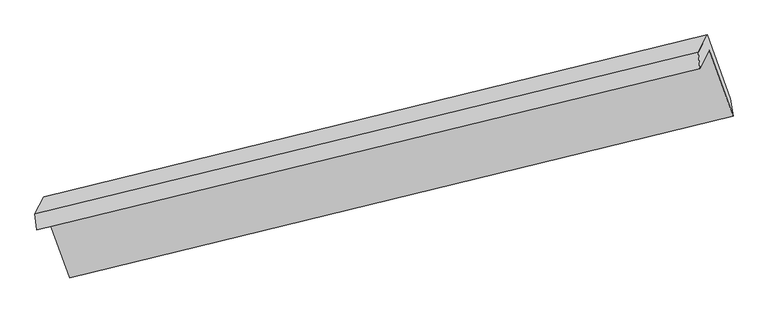
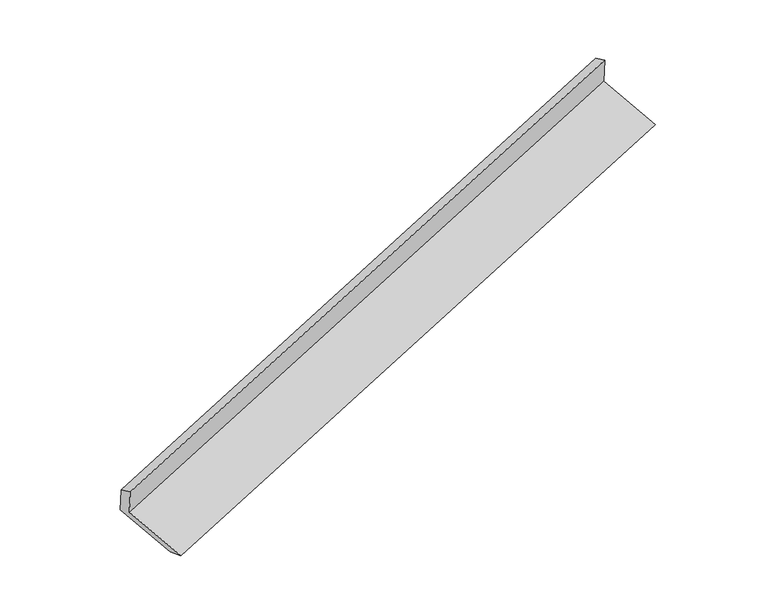
"""IFC4 building model written with IfcOpenShell, lengths in millimetres: proxy geometry."""

from ifc_helpers import new_model, si_unit, origin, place, context, project, spatial, faceted_brep, source, transform, mapped, element, save


def generic_models_422b9204(model_context):
    return source(origin(), model_context, "Body", "Brep", [
        faceted_brep([(-5967.6134884, -2218.9945427, 1282.7742052), (-5885.0653216, -2059.0206942, 921.7283572), (94.4916884, -596.8700606, 2880.8578671), (9.8973894, -760.8092017, 3250.8530054), (-5982.5065411, -2073.6677385, 1222.5375077), (-4.9956634, -615.4823974, 3190.6163079), (-5902.8666822, -1919.3300322, 874.2118998), (76.6903277, -457.1793986, 2833.3414097), (-5694.143272, -2495.0576202, 666.837619), (285.4137379, -1032.9069866, 2625.9671289), (-5670.5451734, -2650.7375857, 708.594807), (309.0118365, -1188.586952, 2667.7243168)], [[[0, 1, 2, 3]], [[4, 0, 3, 5]], [[6, 4, 5, 7]], [[8, 6, 7, 9]], [[10, 8, 9, 11]], [[1, 10, 11, 2]], [[9, 7, 5, 3, 2, 11]], [[1, 0, 4, 6, 8, 10]]]),
    ])


if __name__ == "__main__":
    model = new_model("IFC4")
    model_context = context("Model", 3, world=origin())
    ifc_project = project(units=[si_unit("LENGTHUNIT", "METRE", prefix="MILLI")], contexts=[model_context])
    site = spatial("IfcSite", under=ifc_project)
    building = spatial("IfcBuilding", under=site)
    placement = place(None, origin())
    generic_models_shape = generic_models_422b9204(model_context)
    element("IfcBuildingElementProxy", 1, Name="Generic Models", at=placement, inside=building, context=model_context, shape_type="MappedRepresentation", body=[
        mapped(generic_models_shape, transform((0.0, 0.0, 0.0), x_axis=(1.0, 0.0, 0.0), y_axis=(0.0, 1.0, 0.0), z_axis=(0.0, 0.0, 1.0))),
    ])
    save(model, "model.ifc")
